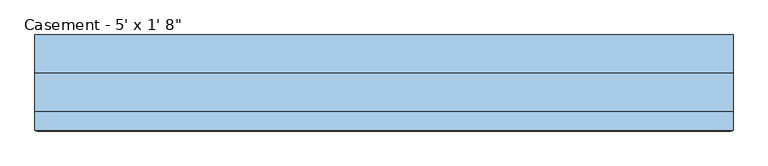
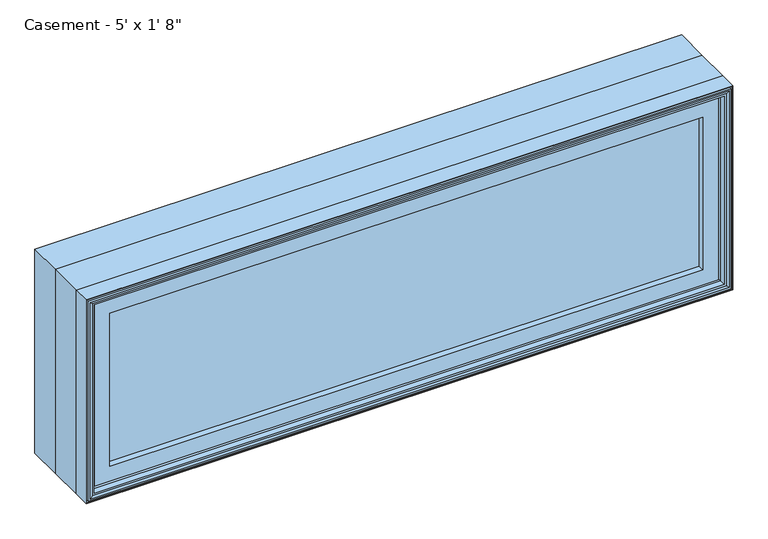
"""IFC4 building model written with IfcOpenShell, lengths in millimetres: window geometry."""

from ifc_helpers import new_model, si_unit, frame, origin, place, context, project, spatial, polyline, outline, extrude, faceted_brep, source, transform, mapped, element, save


def window_0d980a19(model_context):
    return source(origin(), model_context, "Body", "SolidModel", [
        extrude(outline(polyline([(710.009375, -74.0770729), (710.009375, -91.5395729), (-709.9849783, -91.5395729), (-709.9849783, -74.0770729), (710.009375, -74.0770729)])), frame((0.0, 0.0, 971.5119), z_axis=(0.0, 0.0, 1.0), x_axis=(1.0, 0.0, 0.0)), (0.0, 0.0, 1.0), 393.7762),
        extrude(outline(polyline([(1422.4, -762.0), (914.4, -762.0), (914.4, 762.0), (1422.4, 762.0), (1422.4, -762.0)]), holes=[polyline([(930.275, -746.125), (1406.525, -746.125), (1406.525, 746.125), (930.275, 746.125), (930.275, -746.125)])]), frame((0.0, 6.1515625, 0.0), z_axis=(0.0, 1.0, 0.0), x_axis=(0.0, 0.0, 1.0)), (0.0, 0.0, 1.0), 82.7484375),
        faceted_brep([(-709.9849783, -74.0770729, 966.4150217), (-709.9849783, -74.0770729, 1370.3849783), (-709.9849783, -91.5395729, 1370.3849783), (-709.9849783, -91.5395729, 966.4150217), (-698.3015625, -72.8793953, 978.0984375), (-698.3015625, -72.8793953, 1358.7015625), (-698.3015625, -74.0770729, 1358.7015625), (-698.3015625, -74.0770729, 978.0984375), (-701.0498111, -59.9499024, 975.3501889), (-701.0498111, -59.9499024, 1361.4498111), (-729.0341084, -91.5395729, 947.3658916), (-729.0341084, -91.5395729, 1389.4341084), (-729.0341084, -59.9499024, 1389.4341084), (-729.0341084, -59.9499024, 947.3658916), (709.9849783, -74.0770729, 1370.3849783), (709.9849783, -91.5395729, 1370.3849783), (698.3015625, -72.8793953, 1358.7015625), (698.3015625, -74.0770729, 1358.7015625), (701.0498111, -59.9499024, 1361.4498111), (729.0341084, -91.5395729, 1389.4341084), (729.0341084, -59.9499024, 1389.4341084), (709.9849783, -74.0770729, 966.4150217), (709.9849783, -91.5395729, 966.4150217), (698.3015625, -72.8793953, 978.0984375), (698.3015625, -74.0770729, 978.0984375), (701.0498111, -59.9499024, 975.3501889), (729.0341084, -91.5395729, 947.3658916), (729.0341084, -59.9499024, 947.3658916)], [[[0, 1, 2, 3]], [[4, 5, 6, 7]], [[8, 9, 5, 4]], [[10, 11, 12, 13]], [[1, 14, 15, 2]], [[5, 16, 17, 6]], [[9, 18, 16, 5]], [[11, 19, 20, 12]], [[14, 21, 22, 15]], [[16, 23, 24, 17]], [[18, 25, 23, 16]], [[19, 26, 27, 20]], [[11, 10, 26, 19], [3, 2, 15, 22]], [[21, 0, 3, 22]], [[1, 0, 21, 14], [7, 6, 17, 24]], [[23, 4, 7, 24]], [[25, 8, 4, 23]], [[13, 12, 20, 27], [9, 8, 25, 18]], [[26, 10, 13, 27]]]),
        extrude(outline(polyline([(1395.5033048, -735.1033048), (941.2966952, -735.1033048), (941.2966952, 735.1033048), (1395.5033048, 735.1033048), (1395.5033048, -735.1033048)]), holes=[polyline([(978.0984375, -698.3015625), (1358.7015625, -698.3015625), (1358.7015625, 698.3015625), (978.0984375, 698.3015625), (978.0984375, -698.3015625)])]), frame((0.0, -106.9883505, 0.0), z_axis=(0.0, 1.0, 0.0), x_axis=(0.0, 0.0, 1.0)), (0.0, 0.0, 1.0), 15.4487776),
        faceted_brep([(-747.4220166, -119.2736375, 928.9779834), (-747.4220166, -119.2736375, 1407.8220166), (-752.755345, -120.8484375, 1413.155345), (-752.755345, -120.8484375, 923.644655), (-742.5526868, -104.4927591, 933.8473132), (-742.5526868, -104.4927591, 1402.9526868), (-742.5526868, -119.2736375, 1402.9526868), (-742.5526868, -119.2736375, 933.8473132), (-741.3244, -90.3195591, 935.0756), (-741.3244, -90.3195591, 1401.7244), (-741.3244, -79.171779, 935.0756), (-741.3244, -79.171779, 1401.7244), (-762.0, -119.6932773, 914.4), (-762.0, -119.6932773, 1422.4), (-762.0, -79.171779, 1422.4), (-762.0, -79.171779, 914.4), (-759.714, -111.1241649, 916.686), (-759.714, -111.1241649, 1420.114), (-759.714, -119.6932773, 1420.114), (-759.714, -119.6932773, 916.686), (-756.9962, -120.8484375, 919.4038), (-756.9962, -120.8484375, 1417.3962), (-756.9962, -111.1241649, 1417.3962), (-756.9962, -111.1241649, 919.4038), (747.4220166, -119.2736375, 1407.8220166), (752.755345, -120.8484375, 1413.155345), (742.5526868, -104.4927591, 1402.9526868), (742.5526868, -119.2736375, 1402.9526868), (741.3244, -90.3195591, 1401.7244), (741.3244, -79.171779, 1401.7244), (762.0, -119.6932773, 1422.4), (762.0, -79.171779, 1422.4), (759.714, -111.1241649, 1420.114), (759.714, -119.6932773, 1420.114), (756.9962, -120.8484375, 1417.3962), (756.9962, -111.1241649, 1417.3962), (747.4220166, -119.2736375, 928.9779834), (752.755345, -120.8484375, 923.644655), (742.5526868, -104.4927591, 933.8473132), (742.5526868, -119.2736375, 933.8473132), (741.3244, -90.3195591, 935.0756), (741.3244, -79.171779, 935.0756), (762.0, -119.6932773, 914.4), (762.0, -79.171779, 914.4), (759.714, -111.1241649, 916.686), (759.714, -119.6932773, 916.686), (756.9962, -120.8484375, 919.4038), (756.9962, -111.1241649, 919.4038)], [[[0, 1, 2, 3]], [[4, 5, 6, 7]], [[8, 9, 5, 4]], [[10, 11, 9, 8]], [[12, 13, 14, 15]], [[16, 17, 18, 19]], [[20, 21, 22, 23]], [[1, 24, 25, 2]], [[5, 26, 27, 6]], [[9, 28, 26, 5]], [[11, 29, 28, 9]], [[13, 30, 31, 14]], [[17, 32, 33, 18]], [[21, 34, 35, 22]], [[24, 36, 37, 25]], [[26, 38, 39, 27]], [[28, 40, 38, 26]], [[29, 41, 40, 28]], [[30, 42, 43, 31]], [[32, 44, 45, 33]], [[34, 46, 47, 35]], [[36, 0, 3, 37]], [[1, 0, 36, 24], [7, 6, 27, 39]], [[38, 4, 7, 39]], [[40, 8, 4, 38]], [[41, 10, 8, 40]], [[15, 14, 31, 43], [11, 10, 41, 29]], [[42, 12, 15, 43]], [[13, 12, 42, 30], [19, 18, 33, 45]], [[44, 16, 19, 45]], [[17, 16, 44, 32], [23, 22, 35, 47]], [[46, 20, 23, 47]], [[21, 20, 46, 34], [3, 2, 25, 37]]]),
        faceted_brep([(-762.0, -79.171779, 914.4), (-762.0, -79.171779, 1422.4), (-762.0, 6.1515625, 1422.4), (-762.0, 6.1515625, 914.4), (-742.3404, -66.7563278, 934.0596), (-742.3404, -66.7563278, 1402.7404), (-742.3404, -79.171779, 1402.7404), (-742.3404, -79.171779, 934.0596), (-735.8634, -59.7093984, 940.5366), (-735.8634, -59.7093984, 1396.2634), (-735.8634, -66.7563278, 1396.2634), (-735.8634, -66.7563278, 940.5366), (-714.375, -39.9279649, 962.025), (-714.375, -39.9279649, 1374.775), (-714.375, -59.7093984, 1374.775), (-714.375, -59.7093984, 962.025), (-718.3374, -10.9227338, 958.0626), (-718.3374, -10.9227338, 1378.7374), (-718.3374, -39.9279649, 1378.7374), (-718.3374, -39.9279649, 958.0626), (762.0, -79.171779, 1422.4), (762.0, 6.1515625, 1422.4), (742.3404, -66.7563278, 1402.7404), (742.3404, -79.171779, 1402.7404), (735.8634, -59.7093984, 1396.2634), (735.8634, -66.7563278, 1396.2634), (714.375, -39.9279649, 1374.775), (714.375, -59.7093984, 1374.775), (718.3374, -10.9227338, 1378.7374), (718.3374, -39.9279649, 1378.7374), (762.0, -79.171779, 914.4), (762.0, 6.1515625, 914.4), (742.3404, -66.7563278, 934.0596), (742.3404, -79.171779, 934.0596), (735.8634, -59.7093984, 940.5366), (735.8634, -66.7563278, 940.5366), (714.375, -39.9279649, 962.025), (714.375, -59.7093984, 962.025), (718.3374, -10.9227338, 958.0626), (718.3374, -39.9279649, 958.0626), (-739.7761112, 6.1515625, 1400.1761112), (-739.7761112, 6.1515625, 936.6238888), (739.7761112, 6.1515625, 936.6238888), (739.7761112, 6.1515625, 1400.1761112), (-739.7761112, -10.9227338, 936.6238888), (-739.7761112, -10.9227338, 1400.1761112), (739.7761112, -10.9227338, 1400.1761112), (739.7761112, -10.9227338, 936.6238888)], [[[0, 1, 2, 3]], [[4, 5, 6, 7]], [[8, 9, 10, 11]], [[12, 13, 14, 15]], [[16, 17, 18, 19]], [[1, 20, 21, 2]], [[5, 22, 23, 6]], [[9, 24, 25, 10]], [[13, 26, 27, 14]], [[17, 28, 29, 18]], [[20, 30, 31, 21]], [[22, 32, 33, 23]], [[24, 34, 35, 25]], [[26, 36, 37, 27]], [[28, 38, 39, 29]], [[3, 2, 21, 31], [40, 41, 42, 43]], [[30, 0, 3, 31]], [[1, 0, 30, 20], [7, 6, 23, 33]], [[32, 4, 7, 33]], [[5, 4, 32, 22], [11, 10, 25, 35]], [[34, 8, 11, 35]], [[9, 8, 34, 24], [15, 14, 27, 37]], [[36, 12, 15, 37]], [[19, 18, 29, 39], [13, 12, 36, 26]], [[38, 16, 19, 39]], [[44, 45, 46, 47], [17, 16, 38, 28]], [[41, 40, 45, 44]], [[40, 43, 46, 45]], [[43, 42, 47, 46]], [[42, 41, 44, 47]]]),
    ])


if __name__ == "__main__":
    model = new_model("IFC4")
    model_context = context("Model", 3, world=origin())
    ifc_project = project(units=[si_unit("LENGTHUNIT", "METRE", prefix="MILLI")], contexts=[model_context])
    site = spatial("IfcSite", under=ifc_project)
    building = spatial("IfcBuilding", under=site)
    placement = place(None, origin())
    window_shape = window_0d980a19(model_context)
    element("IfcWindow", 1, ObjectType="Casement - 5' x 1' 8\"", at=placement, inside=building, context=model_context, shape_type="MappedRepresentation", body=[
        mapped(window_shape, transform((0.0, 0.0, 0.0), x_axis=(1.0, 0.0, 0.0), y_axis=(0.0, 1.0, 0.0), z_axis=(0.0, 0.0, 1.0))),
    ])
    save(model, "model.ifc")
